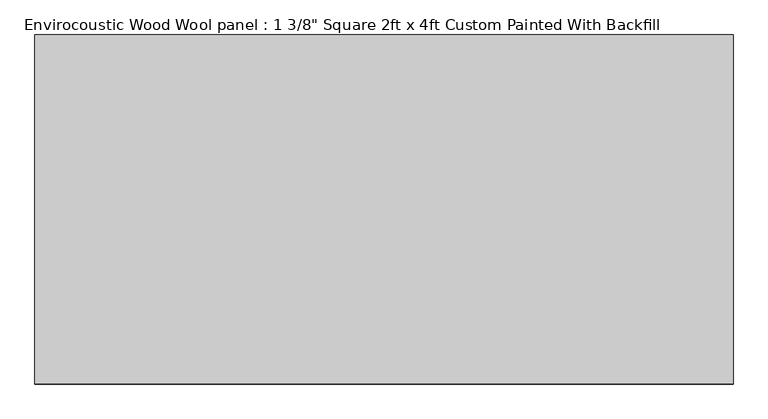
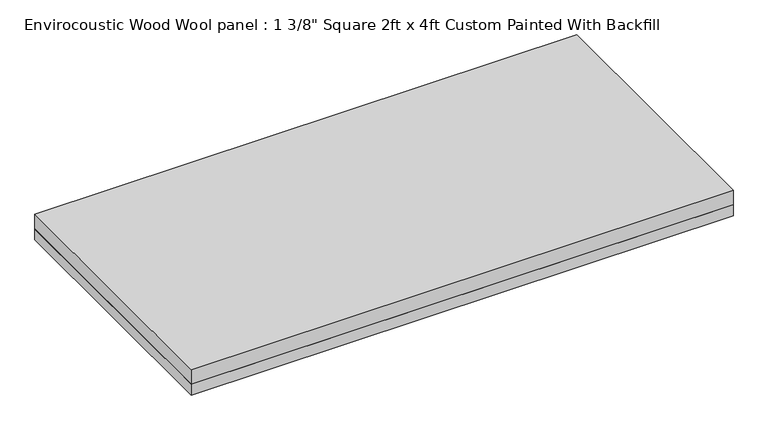
"""IFC4 building model written with IfcOpenShell, lengths in millimetres: proxy geometry."""

from ifc_helpers import new_model, si_unit, frame, origin, origin_with_axes, place, context, project, spatial, polyline, outline, extrude, source, transform, mapped, element, save


def proxy_c87b44c0(model_context):
    return source(origin(), model_context, "Body", "SweptSolid", [
        extrude(outline(polyline([(609.6, 304.8), (609.6, -304.8), (-609.6, -304.8), (-609.6, 304.8), (609.6, 304.8)])), origin_with_axes(), (0.0, 0.0, 1.0), 25.4),
        extrude(outline(polyline([(-609.6, 304.8), (609.6, 304.8), (609.6, -304.8), (-609.6, -304.8), (-609.6, 304.8)])), frame((0.0, 0.0, 25.4), z_axis=(0.0, 0.0, 1.0), x_axis=(1.0, 0.0, 0.0)), (0.0, 0.0, 1.0), 34.925),
    ])


if __name__ == "__main__":
    model = new_model("IFC4")
    model_context = context("Model", 3, world=origin())
    ifc_project = project(units=[si_unit("LENGTHUNIT", "METRE", prefix="MILLI")], contexts=[model_context])
    site = spatial("IfcSite", under=ifc_project)
    building = spatial("IfcBuilding", under=site)
    placement = place(None, origin())
    proxy_shape = proxy_c87b44c0(model_context)
    element("IfcBuildingElementProxy", 1, Name="Envirocoustic Wood Wool panel : 1 3/8\" Square 2ft x 4ft Custom Painted With Backfill", ObjectType="Envirocoustic Wood Wool panel : 1 3/8\" Square 2ft x 4ft Custom Painted With Backfill", at=placement, inside=building, context=model_context, shape_type="MappedRepresentation", body=[
        mapped(proxy_shape, transform((0.0, 0.0, 0.0), x_axis=(1.0, 0.0, 0.0), y_axis=(0.0, 1.0, 0.0), z_axis=(0.0, 0.0, 1.0))),
    ])
    save(model, "model.ifc")
